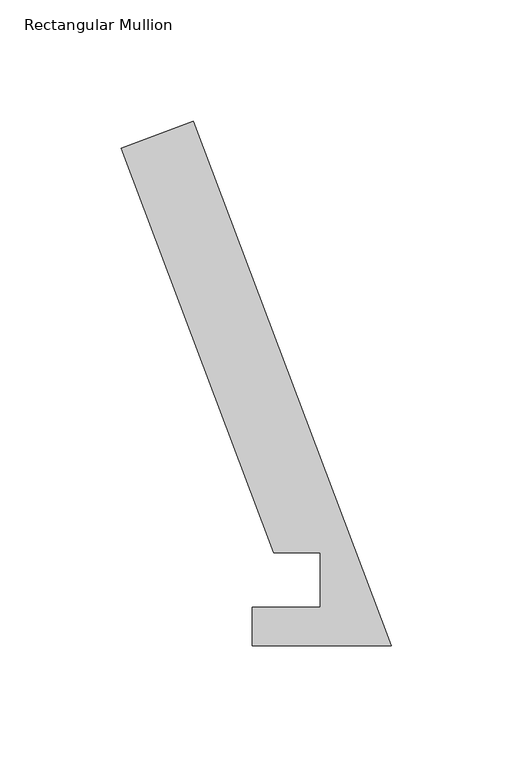
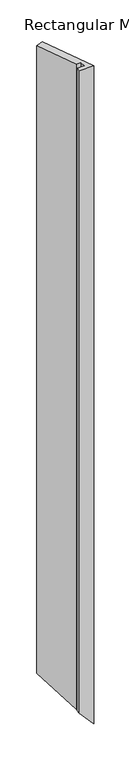
"""IFC4 building model written with IfcOpenShell, lengths in millimetres: member geometry, Rectangular Mullion."""

from ifc_helpers import new_model, si_unit, origin, place, context, project, spatial, faceted_brep, source, transform, mapped, element, save


def rectangular_mullion_3ae6388f(model_context):
    return source(origin(), model_context, "Body", "Brep", [
        faceted_brep([(-48.4216661, 38.2984375, 0.0), (-111.4156088, 205.0070695, 0.0), (-111.4156088, 205.0070695, -2664.8864802), (-48.4216661, 38.2984375, -2737.6256197), (-29.3735907, 38.2984375, 0.0), (-29.3735907, 38.2984375, -2759.6204427), (-29.3735907, 15.8114626, 0.0), (-29.3735907, 15.8114626, -2759.6204427), (-57.277, 15.8114626, 0.0), (-57.277, 15.8114626, -2727.4003609), (-57.277, -0.0635374, 0.0), (-57.277, -0.0635374, -2727.4003609), (0.0, -0.0635374, 0.0), (0.0, -0.0635374, -2793.5381436), (-81.7285764, 216.2248642, 0.0), (-81.7285764, 216.2248642, -2699.1661124)], [[[0, 1, 2, 3]], [[4, 0, 3, 5]], [[6, 4, 5, 7]], [[8, 6, 7, 9]], [[10, 8, 9, 11]], [[12, 10, 11, 13]], [[14, 12, 13, 15]], [[1, 14, 15, 2]], [[1, 0, 4, 6, 8, 10, 12, 14]], [[2, 15, 13, 11, 9, 7, 5, 3]]]),
    ])


if __name__ == "__main__":
    model = new_model("IFC4")
    model_context = context("Model", 3, world=origin())
    ifc_project = project(units=[si_unit("LENGTHUNIT", "METRE", prefix="MILLI")], contexts=[model_context])
    site = spatial("IfcSite", under=ifc_project)
    building = spatial("IfcBuilding", under=site)
    placement = place(None, origin())
    rectangular_mullion_shape = rectangular_mullion_3ae6388f(model_context)
    element("IfcMember", 1, ObjectType="Rectangular Mullion", at=placement, inside=building, context=model_context, shape_type="MappedRepresentation", body=[
        mapped(rectangular_mullion_shape, transform((0.0, 0.0, 0.0), x_axis=(1.0, 0.0, 0.0), y_axis=(0.0, 1.0, 0.0), z_axis=(0.0, 0.0, 1.0))),
    ])
    save(model, "model.ifc")
